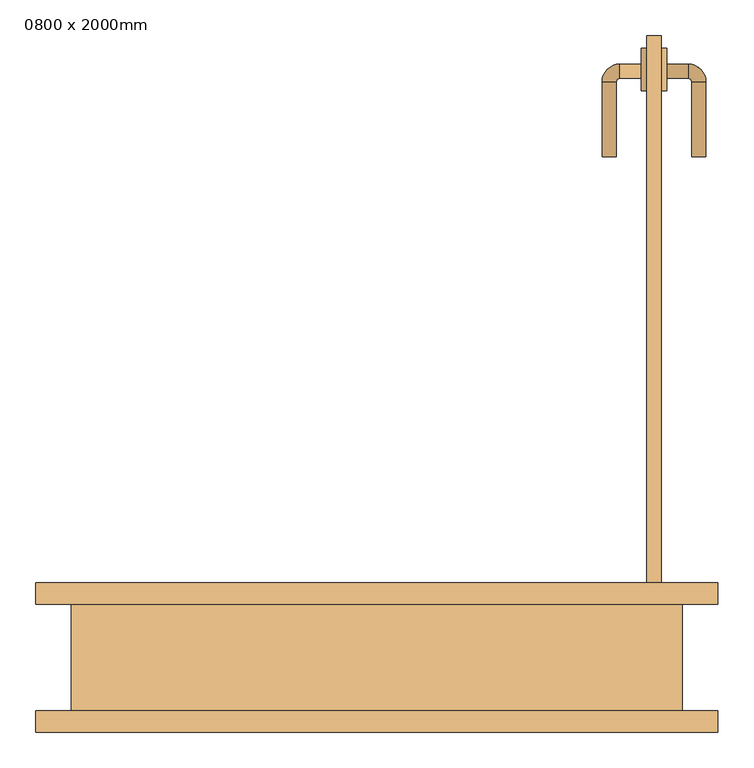
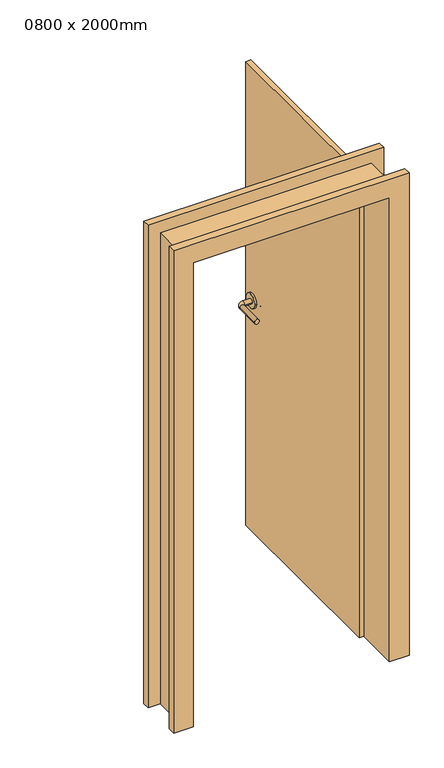
"""IFC4 building model written with IfcOpenShell, lengths in millimetres: door geometry, 0800 x 2000mm."""

from ifc_helpers import new_model, si_unit, point, frame, frame_2d, origin, origin_with_axes, place, context, project, spatial, polyline, circle_curve, ellipse_curve, trimmed, segment, composite_curve, outline, extrude, faceted_brep, source, transform, mapped, element, save
from ifc_brep_helpers import plane_surface, cylinder_surface, revolved_surface, advanced_brep


def door_0800_x_2000mm_cdff24e2(model_context):
    return source(origin(), model_context, "Body", "SolidModel", [
        advanced_brep(
        [(372.0, 835.0, 1000.0), (372.0, 815.0, 1000.0), (342.0, 815.0, 1000.0), (342.0, 835.0, 1000.0), (337.0, 810.0, 1000.0), (317.0, 810.0, 1000.0), (317.0, 705.0, 1000.0), (337.0, 705.0, 1000.0)],
        [
            (0, 1, circle_curve(frame((372.0, 825.0, 1000.0), z_axis=(1.0, 0.0, 0.0), x_axis=(0.0, -0.9999999999999986, 0.0)), 10.0)),
            (1, 0, circle_curve(frame((372.0, 825.0, 1000.0), z_axis=(1.0, 0.0, 0.0), x_axis=(0.0, -0.9999999999999986, 0.0)), 10.0)),
            (1, 2),
            (2, 3, circle_curve(frame((342.0, 825.0, 1000.0), z_axis=(1.0, 0.0, 0.0), x_axis=(0.0, -0.9999999999999986, 0.0)), 10.0)),
            (3, 0),
            (3, 2, circle_curve(frame((342.0, 825.0, 1000.0), z_axis=(1.0, 0.0, 0.0), x_axis=(0.0, -0.9999999999999986, 0.0)), 10.0)),
            (4, 5, circle_curve(frame((327.0, 810.0, 1000.0), z_axis=(0.0, 0.9999999999999986, 0.0), x_axis=(0.9999999999999986, 0.0, 0.0)), 10.0)),
            (5, 3, circle_curve(frame((342.0, 810.0, 1000.0), z_axis=(0.0, 0.0, -1.0), x_axis=(0.0, 0.9999999999999986, 0.0)), 25.0)),
            (2, 4, circle_curve(frame((342.0, 810.0, 1000.0), z_axis=(0.0, 0.0, 1.0), x_axis=(0.0, 0.9999999999999986, 0.0)), 5.0)),
            (5, 4, circle_curve(frame((327.0, 810.0, 1000.0), z_axis=(0.0, 0.9999999999999986, 0.0), x_axis=(0.9999999999999986, 0.0, 0.0)), 10.0)),
            (6, 7, circle_curve(frame((327.0, 705.0, 1000.0), z_axis=(0.0, -1.0, 0.0), x_axis=(0.9999999999999986, 0.0, 0.0)), 10.0)),
            (7, 6, circle_curve(frame((327.0, 705.0, 1000.0), z_axis=(0.0, -1.0, 0.0), x_axis=(0.9999999999999986, 0.0, 0.0)), 10.0)),
            (4, 7),
            (6, 5),
        ],
        [
            plane_surface(frame((372.0, 825.0, 1000.0), z_axis=(1.0, 0.0, 0.0), x_axis=(0.0, 0.0, 1.0))),
            cylinder_surface(frame((372.0, 825.0, 1000.0), z_axis=(0.9999999999999986, 0.0, 0.0), x_axis=(0.0, -0.9999999999999986, 0.0)), 10.0),
            revolved_surface(trimmed(ellipse_curve(frame((342.0, 825.0, 1000.0), z_axis=(-0.9999999999999986, 0.0, 0.0), x_axis=(0.0, -0.9999999999999986, 0.0)), 10.0, 10.0), [point((342.0, 835.0, 1000.0))], [point((342.0, 815.0, 1000.0))], True, "CARTESIAN"), (342.0, 810.0, 1000.0), (0.0, 0.0, -1.0)),
            revolved_surface(trimmed(ellipse_curve(frame((342.0, 825.0, 1000.0), z_axis=(-0.9999999999999986, 0.0, 0.0), x_axis=(0.0, -0.9999999999999986, 0.0)), 10.0, 10.0), [point((342.0, 815.0, 1000.0))], [point((342.0, 835.0, 1000.0))], True, "CARTESIAN"), (342.0, 810.0, 1000.0), (0.0, 0.0, -1.0)),
            plane_surface(frame((327.0, 705.0, 1000.0), z_axis=(0.0, -1.0, 0.0), x_axis=(0.0, 0.0, 1.0))),
            cylinder_surface(frame((327.0, 810.0, 1000.0), z_axis=(0.0, 0.9999999999999986, 0.0), x_axis=(0.9999999999999986, 0.0, 0.0)), 10.0),
        ],
        [
            (0, [[1, 2]]),
            (1, [[3, 4, 5, -2]]),
            (1, [[-5, 6, -3, -1]]),
            (2, [[7, 8, -4, 9]]),
            (3, [[10, -9, -6, -8]]),
            (4, [[11, 12]]),
            (5, [[13, -11, 14, -7]]),
            (5, [[-14, -12, -13, -10]]),
        ],
    ),
        extrude(outline(composite_curve([segment(trimmed(circle_curve(frame_2d((827.5, 1000.0)), 30.0), [point((857.5, 1000.0))], [point((797.5, 1000.0))], False, "CARTESIAN"), True, "CONTINUOUS"), segment(trimmed(circle_curve(frame_2d((827.5, 1000.0)), 30.0), [point((797.5, 1000.0))], [point((857.5, 1000.0))], False, "CARTESIAN"), True, "CONTINUOUS")], self_intersect=False)), frame((372.0, 0.0, 0.0), z_axis=(1.0, 0.0, 0.0), x_axis=(0.0, 1.0, 0.0)), (0.0, 0.0, 1.0), 8.0),
        advanced_brep(
        [(408.0, 835.0, 1000.0), (408.0, 815.0, 1000.0), (438.0, 835.0, 1000.0), (438.0, 815.0, 1000.0), (443.0, 810.0, 1000.0), (463.0, 810.0, 1000.0), (463.0, 705.0, 1000.0), (443.0, 705.0, 1000.0)],
        [
            (0, 1, circle_curve(frame((408.0, 825.0, 1000.0), z_axis=(-1.0, 0.0, 0.0), x_axis=(0.0, -0.9999999999999993, 0.0)), 10.0)),
            (1, 0, circle_curve(frame((408.0, 825.0, 1000.0), z_axis=(-1.0, 0.0, 0.0), x_axis=(0.0, -0.9999999999999993, 0.0)), 10.0)),
            (0, 2),
            (2, 3, circle_curve(frame((438.0, 825.0, 1000.0), z_axis=(-1.0, 0.0, 0.0), x_axis=(0.0, -0.9999999999999993, 0.0)), 10.0)),
            (3, 1),
            (3, 2, circle_curve(frame((438.0, 825.0, 1000.0), z_axis=(-1.0, 0.0, 0.0), x_axis=(0.0, -0.9999999999999993, 0.0)), 10.0)),
            (4, 3, circle_curve(frame((438.0, 810.0, 1000.0), z_axis=(0.0, 0.0, 1.0), x_axis=(0.0, 0.9999999999999993, 0.0)), 5.0)),
            (2, 5, circle_curve(frame((438.0, 810.0, 1000.0), z_axis=(0.0, 0.0, -1.0), x_axis=(0.0, 0.9999999999999993, 0.0)), 25.0)),
            (5, 4, circle_curve(frame((453.0, 810.0, 1000.0), z_axis=(0.0, 0.9999999999999993, 0.0), x_axis=(-0.9999999999999993, 0.0, 0.0)), 10.0)),
            (4, 5, circle_curve(frame((453.0, 810.0, 1000.0), z_axis=(0.0, 0.9999999999999993, 0.0), x_axis=(-0.9999999999999993, 0.0, 0.0)), 10.0)),
            (6, 7, circle_curve(frame((453.0, 705.0, 1000.0), z_axis=(0.0, -1.0, 0.0), x_axis=(-0.9999999999999993, 0.0, 0.0)), 10.0)),
            (7, 6, circle_curve(frame((453.0, 705.0, 1000.0), z_axis=(0.0, -1.0, 0.0), x_axis=(-0.9999999999999993, 0.0, 0.0)), 10.0)),
            (5, 6),
            (7, 4),
        ],
        [
            plane_surface(frame((408.0, 825.0, 1000.0), z_axis=(-1.0, 0.0, 0.0), x_axis=(0.0, 0.0, 1.0))),
            cylinder_surface(frame((408.0, 825.0, 1000.0), z_axis=(-0.9999999999999993, 0.0, 0.0), x_axis=(0.0, -0.9999999999999993, 0.0)), 10.0),
            revolved_surface(trimmed(ellipse_curve(frame((438.0, 825.0, 1000.0), z_axis=(-0.9999999999999993, 0.0, 0.0), x_axis=(0.0, -0.9999999999999993, 0.0)), 10.0, 10.0), [point((438.0, 835.0, 1000.0))], [point((438.0, 815.0, 1000.0))], True, "CARTESIAN"), (438.0, 810.0, 1000.0), (0.0, 0.0, -1.0)),
            revolved_surface(trimmed(ellipse_curve(frame((438.0, 825.0, 1000.0), z_axis=(-0.9999999999999993, 0.0, 0.0), x_axis=(0.0, -0.9999999999999993, 0.0)), 10.0, 10.0), [point((438.0, 815.0, 1000.0))], [point((438.0, 835.0, 1000.0))], True, "CARTESIAN"), (438.0, 810.0, 1000.0), (0.0, 0.0, -1.0)),
            plane_surface(frame((453.0, 705.0, 1000.0), z_axis=(0.0, -1.0, 0.0), x_axis=(0.0, 0.0, 1.0))),
            cylinder_surface(frame((453.0, 810.0, 1000.0), z_axis=(0.0, 0.9999999999999993, 0.0), x_axis=(-0.9999999999999993, 0.0, 0.0)), 10.0),
        ],
        [
            (0, [[1, 2]]),
            (1, [[-1, 3, 4, 5]]),
            (1, [[-2, -5, 6, -3]]),
            (2, [[7, -4, 8, 9]]),
            (3, [[-8, -6, -7, 10]]),
            (4, [[11, 12]]),
            (5, [[-9, 13, -12, 14]]),
            (5, [[-10, -14, -11, -13]]),
        ],
    ),
        extrude(outline(composite_curve([segment(trimmed(circle_curve(frame_2d((827.5, 1000.0)), 30.0), [point((857.5, 1000.0))], [point((797.5, 1000.0))], False, "CARTESIAN"), True, "CONTINUOUS"), segment(trimmed(circle_curve(frame_2d((827.5, 1000.0)), 30.0), [point((797.5, 1000.0))], [point((857.5, 1000.0))], False, "CARTESIAN"), True, "CONTINUOUS")], self_intersect=False)), frame((400.0, 0.0, 0.0), z_axis=(1.0, 0.0, 0.0), x_axis=(0.0, 1.0, 0.0)), (0.0, 0.0, 1.0), 8.0),
        faceted_brep([(-430.0, 75.0, 0.0), (-480.0, 75.0, 0.0), (-480.0, 105.0, 0.0), (-400.0, 105.0, 0.0), (-400.0, -105.0, 0.0), (-480.0, -105.0, 0.0), (-480.0, -75.0, 0.0), (-430.0, -75.0, 0.0), (-430.0, 75.0, 2030.0), (430.0, 75.0, 2030.0), (430.0, 75.0, 0.0), (480.0, 75.0, 0.0), (480.0, 75.0, 2080.0), (-480.0, 75.0, 2080.0), (-480.0, 105.0, 2080.0), (480.0, 105.0, 2080.0), (480.0, 105.0, 0.0), (400.0, 105.0, 0.0), (400.0, 105.0, 2000.0), (-400.0, 105.0, 2000.0), (-400.0, -105.0, 2000.0), (400.0, -105.0, 2000.0), (400.0, -105.0, 0.0), (480.0, -105.0, 0.0), (480.0, -105.0, 2080.0), (-480.0, -105.0, 2080.0), (-480.0, -75.0, 2080.0), (480.0, -75.0, 2080.0), (480.0, -75.0, 0.0), (430.0, -75.0, 0.0), (430.0, -75.0, 2030.0), (-430.0, -75.0, 2030.0)], [[[0, 1, 2, 3, 4, 5, 6, 7]], [[1, 0, 8, 9, 10, 11, 12, 13]], [[2, 1, 13, 14]], [[3, 2, 14, 15, 16, 17, 18, 19]], [[4, 3, 19, 20]], [[5, 4, 20, 21, 22, 23, 24, 25]], [[6, 5, 25, 26]], [[7, 6, 26, 27, 28, 29, 30, 31]], [[0, 7, 31, 8]], [[9, 30, 29, 10]], [[10, 29, 28, 23, 22, 17, 16, 11]], [[15, 12, 11, 16]], [[21, 18, 17, 22]], [[27, 24, 23, 28]], [[14, 13, 12, 15]], [[20, 19, 18, 21]], [[26, 25, 24, 27]], [[8, 31, 30, 9]]]),
        extrude(outline(polyline([(400.0, 875.0), (400.0, 75.0), (380.0, 75.0), (380.0, 875.0), (400.0, 875.0)])), origin_with_axes(), (0.0, 0.0, 1.0), 2000.0),
    ])


if __name__ == "__main__":
    model = new_model("IFC4")
    model_context = context("Model", 3, world=origin())
    ifc_project = project(units=[si_unit("LENGTHUNIT", "METRE", prefix="MILLI")], contexts=[model_context])
    site = spatial("IfcSite", under=ifc_project)
    building = spatial("IfcBuilding", under=site)
    placement = place(None, origin())
    door_0800_x_2000mm_shape = door_0800_x_2000mm_cdff24e2(model_context)
    element("IfcDoor", 1, ObjectType="0800 x 2000mm", at=placement, inside=building, context=model_context, shape_type="MappedRepresentation", body=[
        mapped(door_0800_x_2000mm_shape, transform((0.0, 0.0, 0.0), x_axis=(1.0, 0.0, 0.0), y_axis=(0.0, 1.0, 0.0), z_axis=(0.0, 0.0, 1.0))),
    ])
    save(model, "model.ifc")
